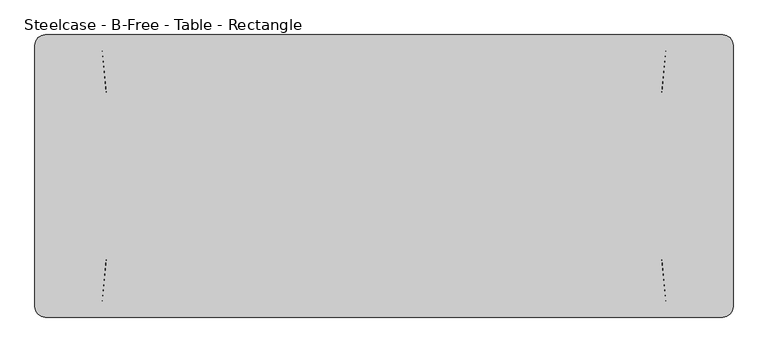
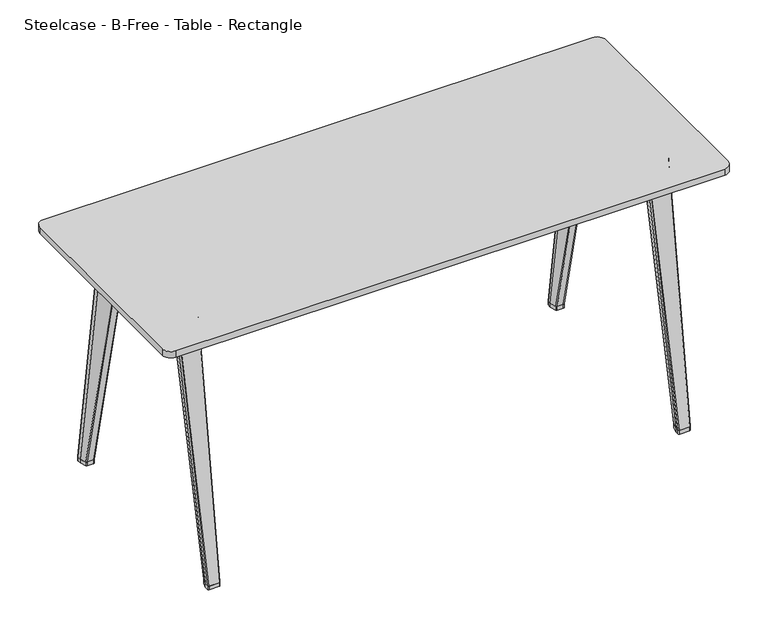
"""IFC4 building model written with IfcOpenShell, lengths in millimetres: furniture geometry, Steelcase - B-Free - Table - Rectangle."""

from ifc_helpers import new_model, si_unit, point, frame, frame_2d, origin, origin_with_axes, place, context, project, spatial, polyline, circle_curve, trimmed, segment, composite_curve, outline, extrude, source, transform, mapped, element, save
from ifc_brep_helpers import plane_surface, spline_surface, advanced_brep


def steelcase_b_free_table_rectangle_2f5d6858(model_context):
    return source(origin(), model_context, "Body", "SolidModel", [
        advanced_brep(
        [(848.550468, -256.8071273, 975.0100359), (925.9999954, -256.8071273, 975.0100359), (925.9999954, -236.2971273, 975.0100359), (899.1391539, -164.7409376, 975.0100359), (872.6106688, -164.7409376, 975.0100359), (848.550468, -236.2905089, 975.0100359), (867.5282424, -427.3252731, 15.0), (863.4278933, -423.224924, 15.0), (863.4278933, -408.6786642, 15.0), (870.3328304, -386.0936324, 15.0), (874.3297908, -383.1360373, 15.0), (897.6416198, -383.1360373, 15.0), (901.5771767, -385.9432427, 15.0), (909.4056101, -408.6786642, 15.0), (909.4056101, -423.9695545, 15.0), (906.0498914, -427.3252731, 15.0)],
        [
            (0, 1),
            (1, 2),
            (2, 3),
            (3, 4),
            (4, 5),
            (5, 0),
            (6, 7, circle_curve(frame((867.5282424, -423.224924, 15.0), z_axis=(0.0, 0.0, -1.0), x_axis=(-1.0, 0.0, 0.0)), 4.1003491)),
            (7, 8),
            (8, 9),
            (9, 10, circle_curve(frame((874.3297908, -387.3156258, 15.0), z_axis=(0.0, 0.0, -1.0), x_axis=(-1.0, 0.0, 0.0)), 4.1795886)),
            (10, 11),
            (11, 12, circle_curve(frame((897.6416198, -387.2983636, 15.0), z_axis=(0.0, 0.0, -1.0), x_axis=(-1.0, 0.0, 0.0)), 4.1623263)),
            (12, 13),
            (13, 14),
            (14, 15, circle_curve(frame((906.0498914, -423.9695545, 15.0), z_axis=(0.0, 0.0, -1.0), x_axis=(-1.0, 0.0, 0.0)), 3.3557187)),
            (15, 6),
            (15, 1),
            (0, 6),
            (14, 1),
            (13, 2),
            (12, 3),
            (11, 3),
            (10, 4),
            (9, 4),
            (8, 5),
            (7, 0),
        ],
        [
            plane_surface(frame((886.8084583, -219.2806277, 975.0100359), z_axis=(0.0, 0.0, 1.0), x_axis=(1.0, 0.0, 0.0))),
            plane_surface(frame((886.3126558, -405.7511303, 15.0), z_axis=(0.0, 0.0, -1.0), x_axis=(1.0, 0.0, 0.0))),
            plane_surface(frame((886.7890669, -427.3252731, 15.0), z_axis=(0.0, -0.9845890618720452, 0.17488390218063543), x_axis=(1.0, 0.0, 0.0))),
            spline_surface(2, 1, [[(906.0498914, -427.3252731, 15.0), (925.9999954, -256.8071273, 975.0100359)], [(909.4056099999999, -427.325273, 15.0), (925.9999954, -256.8071273, 975.0100359)], [(909.4056101, -423.9695545, 15.0), (925.9999954, -256.8071273, 975.0100359)]], [3, 3], [2, 2], [0.0, 1.0], [0.0, 1.0], weights=[[1.0, 1.0], [0.7071067917223973, 0.7071067917223973], [1.0, 1.0]]),
            plane_surface(frame((909.4056101, -416.3241093, 15.0), z_axis=(0.9998506368413226, 0.0, -0.017283055516941103), x_axis=(0.0, 1.0, 0.0))),
            spline_surface(1, 1, [[(909.4056101, -408.6786642, 15.0), (925.9999954, -236.2971273, 975.0100359)], [(901.5771767, -385.9432427, 15.0), (899.1391539, -164.7409376, 975.0100359)]], [2, 2], [2, 2], [0.0, 1.0], [0.0, 1.0]),
            spline_surface(2, 1, [[(901.5771767, -385.9432427, 15.0), (899.1391539, -164.7409376, 975.0100359)], [(900.610578398728, -383.1360372193377, 15.0), (899.1391539, -164.7409376, 975.0100359)], [(897.6416198, -383.1360373, 15.0), (899.1391539, -164.7409376, 975.0100359)]], [3, 3], [2, 2], [0.0, 1.0], [0.0, 1.0], weights=[[1.0, 1.0], [0.8141155110773269, 0.8141155110773269], [1.0, 1.0]]),
            plane_surface(frame((885.9857053, -383.1360373, 15.0), z_axis=(0.0, 0.9750865190442373, -0.22182488674220574), x_axis=(-1.0, 0.0, 0.0))),
            spline_surface(2, 1, [[(874.3297908, -383.1360373, 15.0), (872.6106688, -164.7409376, 975.0100359)], [(871.2370579804914, -383.13603732587006, 15.0), (872.6106688, -164.7409376, 975.0100359)], [(870.3328304, -386.0936324, 15.0), (872.6106688, -164.7409376, 975.0100359)]], [3, 3], [2, 2], [0.0, 1.0], [0.0, 1.0], weights=[[1.0, 1.0], [0.8038568620048957, 0.8038568620048957], [1.0, 1.0]]),
            spline_surface(1, 1, [[(870.3328304, -386.0936324, 15.0), (872.6106688, -164.7409376, 975.0100359)], [(863.4278933, -408.6786642, 15.0), (848.550468, -236.2905089, 975.0100359)]], [2, 2], [2, 2], [0.0, 1.0], [0.0, 1.0]),
            plane_surface(frame((863.4278933, -415.9517941, 15.0), z_axis=(-0.9998799407034225, 0.0, -0.015495295380224412), x_axis=(0.0, -1.0, 0.0))),
            spline_surface(2, 1, [[(863.4278933, -423.224924, 15.0), (848.550468, -256.8071273, 975.0100359)], [(863.4278933000002, -427.3252730999999, 15.0), (848.550468, -256.8071273, 975.0100359)], [(867.5282424, -427.3252731, 15.0), (848.550468, -256.8071273, 975.0100359)]], [3, 3], [2, 2], [0.0, 1.0], [0.0, 1.0], weights=[[1.0, 1.0], [0.7071067811865575, 0.7071067811865575], [1.0, 1.0]]),
        ],
        [
            (0, [[1, 2, 3, 4, 5, 6]]),
            (1, [[7, 8, 9, 10, 11, 12, 13, 14, 15, 16]]),
            (2, [[-16, 17, -1, 18]]),
            (3, [[-15, 19, -17]]),
            (4, [[-14, 20, -2, -19]]),
            (5, [[-13, 21, -3, -20]]),
            (6, [[-12, 22, -21]]),
            (7, [[-11, 23, -4, -22]]),
            (8, [[-10, 24, -23]]),
            (9, [[-9, 25, -5, -24]]),
            (10, [[-8, 26, -6, -25]]),
            (11, [[-7, -18, -26]]),
        ],
    ),
        extrude(outline(polyline([(895.0100359, 872.6106688), (895.0100359, 890.127493), (955.0186288, 913.2999954), (975.0100359, 913.2999954), (975.0100359, 848.550468), (955.0123135, 848.9662002), (895.0100359, 872.6106688)])), frame((0.0, -256.8071273, 0.0), z_axis=(0.0, 1.0, 0.0), x_axis=(0.0, 0.0, 1.0)), (0.0, 0.0, 1.0), 513.6142547),
        advanced_brep(
        [(848.550468, 256.8071273, 975.0100359), (848.550468, 236.2905089, 975.0100359), (872.6106688, 164.7409376, 975.0100359), (899.1391539, 164.7409376, 975.0100359), (925.9999954, 236.2971273, 975.0100359), (925.9999954, 256.8071273, 975.0100359), (867.5282424, 427.3252731, 15.0), (906.0498914, 427.3252731, 15.0), (909.4056101, 423.9695545, 15.0), (909.4056101, 408.6786642, 15.0), (901.5771767, 385.9432427, 15.0), (897.6416198, 383.1360373, 15.0), (874.3297908, 383.1360373, 15.0), (870.3328304, 386.0936324, 15.0), (863.4278933, 408.6786642, 15.0), (863.4278933, 423.224924, 15.0)],
        [
            (0, 1),
            (1, 2),
            (2, 3),
            (3, 4),
            (4, 5),
            (5, 0),
            (6, 7),
            (7, 8, circle_curve(frame((906.0498914, 423.9695545, 15.0), z_axis=(0.0, 0.0, -1.0), x_axis=(-1.0, 0.0, 0.0)), 3.3557187)),
            (8, 9),
            (9, 10),
            (10, 11, circle_curve(frame((897.6416198, 387.2983636, 15.0), z_axis=(0.0, 0.0, -1.0), x_axis=(-1.0, 0.0, 0.0)), 4.1623263)),
            (11, 12),
            (12, 13, circle_curve(frame((874.3297908, 387.3156258, 15.0), z_axis=(0.0, 0.0, -1.0), x_axis=(-1.0, 0.0, 0.0)), 4.1795886)),
            (13, 14),
            (14, 15),
            (15, 6, circle_curve(frame((867.5282424, 423.224924, 15.0), z_axis=(0.0, 0.0, -1.0), x_axis=(-1.0, 0.0, 0.0)), 4.1003491)),
            (6, 0),
            (5, 7),
            (5, 8),
            (4, 9),
            (3, 10),
            (3, 11),
            (2, 12),
            (2, 13),
            (1, 14),
            (0, 15),
        ],
        [
            plane_surface(frame((886.8084583, 219.2806277, 975.0100359), z_axis=(0.0, 0.0, 1.0), x_axis=(0.0, -1.0, 0.0))),
            plane_surface(frame((886.3126558, 405.7511303, 15.0), z_axis=(0.0, 0.0, -1.0), x_axis=(0.0, -1.0, 0.0))),
            plane_surface(frame((886.7890669, 427.3252731, 15.0), z_axis=(0.0, 0.984589061872048, 0.1748839021806194), x_axis=(-1.0, 0.0, 0.0))),
            spline_surface(2, 1, [[(909.4056101, 423.9695545, 15.0), (925.9999954, 256.8071273, 975.0100359)], [(909.4056102000001, 427.3252732, 15.0), (925.9999954, 256.8071273, 975.0100359)], [(906.0498914, 427.3252731, 15.0), (925.9999954, 256.8071273, 975.0100359)]], [3, 3], [2, 2], [0.0, 1.0], [0.0, 1.0], weights=[[1.0, 1.0], [0.7071067706506982, 0.7071067706506982], [1.0, 1.0]]),
            plane_surface(frame((909.4056101, 416.3241093, 15.0), z_axis=(0.999850636841323, 0.0, -0.017283055516919863), x_axis=(0.0, 1.0, 0.0))),
            spline_surface(1, 1, [[(901.5771767, 385.9432427, 15.0), (899.1391539, 164.7409376, 975.0100359)], [(909.4056101, 408.6786642, 15.0), (925.9999954, 236.2971273, 975.0100359)]], [2, 2], [2, 2], [0.0, 1.0], [0.0, 1.0]),
            spline_surface(2, 1, [[(897.6416198, 383.1360373, 15.0), (899.1391539, 164.7409376, 975.0100359)], [(900.6105783063458, 383.1360373488526, 15.0), (899.1391539, 164.7409376, 975.0100359)], [(901.5771767, 385.9432427, 15.0), (899.1391539, 164.7409376, 975.0100359)]], [3, 3], [2, 2], [0.0, 1.0], [0.0, 1.0], weights=[[1.0, 1.0], [0.8141155237433267, 0.8141155237433267], [1.0, 1.0]]),
            plane_surface(frame((885.9857053, 383.1360373, 15.0), z_axis=(0.0, -0.9750865190442408, -0.22182488674219003), x_axis=(1.0, 0.0, 0.0))),
            spline_surface(2, 1, [[(870.3328304, 386.0936324, 15.0), (872.6106688, 164.7409376, 975.0100359)], [(871.237057931012, 383.13603725900253, 15.0), (872.6106688, 164.7409376, 975.0100359)], [(874.3297908, 383.1360373, 15.0), (872.6106688, 164.7409376, 975.0100359)]], [3, 3], [2, 2], [0.0, 1.0], [0.0, 1.0], weights=[[1.0, 1.0], [0.8038568555746078, 0.8038568555746078], [1.0, 1.0]]),
            spline_surface(1, 1, [[(863.4278933, 408.6786642, 15.0), (848.550468, 236.2905089, 975.0100359)], [(870.3328304, 386.0936324, 15.0), (872.6106688, 164.7409376, 975.0100359)]], [2, 2], [2, 2], [0.0, 1.0], [0.0, 1.0]),
            plane_surface(frame((863.4278933, 415.9517941, 15.0), z_axis=(-0.9998799407034225, 0.0, -0.015495295380227193), x_axis=(0.0, -1.0, 0.0))),
            spline_surface(2, 1, [[(867.5282424, 427.3252731, 15.0), (848.550468, 256.8071273, 975.0100359)], [(863.4278932999999, 427.3252731000001, 15.0), (848.550468, 256.8071273, 975.0100359)], [(863.4278933, 423.224924, 15.0), (848.550468, 256.8071273, 975.0100359)]], [3, 3], [2, 2], [0.0, 1.0], [0.0, 1.0], weights=[[1.0, 1.0], [0.7071067811865378, 0.7071067811865378], [1.0, 1.0]]),
        ],
        [
            (0, [[1, 2, 3, 4, 5, 6]]),
            (1, [[7, 8, 9, 10, 11, 12, 13, 14, 15, 16]]),
            (2, [[-7, 17, -6, 18]]),
            (3, [[-8, -18, 19]]),
            (4, [[-9, -19, -5, 20]]),
            (5, [[-10, -20, -4, 21]]),
            (6, [[-11, -21, 22]]),
            (7, [[-12, -22, -3, 23]]),
            (8, [[-13, -23, 24]]),
            (9, [[-14, -24, -2, 25]]),
            (10, [[-15, -25, -1, 26]]),
            (11, [[-16, -26, -17]]),
        ],
    ),
        extrude(outline(composite_curve([segment(polyline([(870.3328304, 386.0936324), (863.4278933, 408.6786642), (863.4278933, 423.224924)]), True, "CONTINUOUS"), segment(trimmed(circle_curve(frame_2d((867.5282424, 423.224924)), 4.1003491), [point((863.4278933, 423.224924))], [point((867.5282424, 427.3252731))], False, "CARTESIAN"), True, "CONTINUOUS"), segment(polyline([(867.5282424, 427.3252731), (906.0498914, 427.3252731)]), True, "CONTINUOUS"), segment(trimmed(circle_curve(frame_2d((906.0498914, 423.9695545)), 3.3557187), [point((906.0498914, 427.3252731))], [point((909.4056101, 423.9695545))], False, "CARTESIAN"), True, "CONTINUOUS"), segment(polyline([(909.4056101, 423.9695545), (909.4056101, 408.6786642), (901.5771767, 385.9432427)]), True, "CONTINUOUS"), segment(trimmed(circle_curve(frame_2d((897.6416198, 387.2983636)), 4.1623263), [point((901.5771767, 385.9432427))], [point((897.6416198, 383.1360373))], False, "CARTESIAN"), True, "CONTINUOUS"), segment(polyline([(897.6416198, 383.1360373), (874.3297908, 383.1360373)]), True, "CONTINUOUS"), segment(trimmed(circle_curve(frame_2d((874.3297908, 387.3156258)), 4.1795886), [point((874.3297908, 383.1360373))], [point((870.3328304, 386.0936324))], False, "CARTESIAN"), True, "CONTINUOUS")], self_intersect=False)), origin_with_axes(), (0.0, 0.0, 1.0), 15.0),
        extrude(outline(composite_curve([segment(trimmed(circle_curve(frame_2d((874.3297908, -387.3156258)), 4.1795886), [point((870.3328304, -386.0936324))], [point((874.3297908, -383.1360373))], False, "CARTESIAN"), True, "CONTINUOUS"), segment(polyline([(874.3297908, -383.1360373), (897.6416198, -383.1360373)]), True, "CONTINUOUS"), segment(trimmed(circle_curve(frame_2d((897.6416198, -387.2983636)), 4.1623263), [point((897.6416198, -383.1360373))], [point((901.5771767, -385.9432427))], False, "CARTESIAN"), True, "CONTINUOUS"), segment(polyline([(901.5771767, -385.9432427), (909.4056101, -408.6786642), (909.4056101, -423.9695545)]), True, "CONTINUOUS"), segment(trimmed(circle_curve(frame_2d((906.0498914, -423.9695545)), 3.3557187), [point((909.4056101, -423.9695545))], [point((906.0498914, -427.3252731))], False, "CARTESIAN"), True, "CONTINUOUS"), segment(polyline([(906.0498914, -427.3252731), (867.5282424, -427.3252731)]), True, "CONTINUOUS"), segment(trimmed(circle_curve(frame_2d((867.5282424, -423.224924)), 4.1003491), [point((867.5282424, -427.3252731))], [point((863.4278933, -423.224924))], False, "CARTESIAN"), True, "CONTINUOUS"), segment(polyline([(863.4278933, -423.224924), (863.4278933, -408.6786642), (870.3328304, -386.0936324)]), True, "CONTINUOUS")], self_intersect=False)), origin_with_axes(), (0.0, 0.0, 1.0), 15.0),
        advanced_brep(
        [(-848.550468, -256.8071273, 975.0100359), (-848.550468, -236.2905089, 975.0100359), (-872.6106688, -164.7409376, 975.0100359), (-899.1391539, -164.7409376, 975.0100359), (-925.9999954, -236.2971273, 975.0100359), (-925.9999954, -256.8071273, 975.0100359), (-867.5282424, -427.3252731, 15.0), (-906.0498914, -427.3252731, 15.0), (-909.4056101, -423.9695545, 15.0), (-909.4056101, -408.6786642, 15.0), (-901.5771767, -385.9432427, 15.0), (-897.6416198, -383.1360373, 15.0), (-874.3297908, -383.1360373, 15.0), (-870.3328304, -386.0936324, 15.0), (-863.4278933, -408.6786642, 15.0), (-863.4278933, -423.224924, 15.0)],
        [
            (0, 1),
            (1, 2),
            (2, 3),
            (3, 4),
            (4, 5),
            (5, 0),
            (6, 7),
            (7, 8, circle_curve(frame((-906.0498914, -423.9695545, 15.0), z_axis=(0.0, 0.0, -1.0), x_axis=(1.0, 0.0, 0.0)), 3.3557187)),
            (8, 9),
            (9, 10),
            (10, 11, circle_curve(frame((-897.6416198, -387.2983636, 15.0), z_axis=(0.0, 0.0, -1.0), x_axis=(1.0, 0.0, 0.0)), 4.1623263)),
            (11, 12),
            (12, 13, circle_curve(frame((-874.3297908, -387.3156258, 15.0), z_axis=(0.0, 0.0, -1.0), x_axis=(1.0, 0.0, 0.0)), 4.1795886)),
            (13, 14),
            (14, 15),
            (15, 6, circle_curve(frame((-867.5282424, -423.224924, 15.0), z_axis=(0.0, 0.0, -1.0), x_axis=(1.0, 0.0, 0.0)), 4.1003491)),
            (6, 0),
            (5, 7),
            (5, 8),
            (4, 9),
            (3, 10),
            (3, 11),
            (2, 12),
            (2, 13),
            (1, 14),
            (0, 15),
        ],
        [
            plane_surface(frame((-886.8084583, -219.2806277, 975.0100359), z_axis=(0.0, 0.0, 1.0), x_axis=(0.0, 1.0, 0.0))),
            plane_surface(frame((-886.3126558, -405.7511303, 15.0), z_axis=(0.0, 0.0, -1.0), x_axis=(0.0, 1.0, 0.0))),
            plane_surface(frame((-886.7890669, -427.3252731, 15.0), z_axis=(0.0, -0.9845890618720495, 0.1748839021806107), x_axis=(1.0, 0.0, 0.0))),
            spline_surface(2, 1, [[(-909.4056101, -423.9695545, 15.0), (-925.9999954, -256.8071273, 975.0100359)], [(-909.4056102000001, -427.3252732, 15.0), (-925.9999954, -256.8071273, 975.0100359)], [(-906.0498914, -427.3252731, 15.0), (-925.9999954, -256.8071273, 975.0100359)]], [3, 3], [2, 2], [0.0, 1.0], [0.0, 1.0], weights=[[1.0, 1.0], [0.7071067706506982, 0.7071067706506982], [1.0, 1.0]]),
            plane_surface(frame((-909.4056101, -416.3241093, 15.0), z_axis=(-0.999850636841323, 0.0, -0.017283055516920248), x_axis=(0.0, -1.0, 0.0))),
            spline_surface(1, 1, [[(-901.5771767, -385.9432427, 15.0), (-899.1391539, -164.7409376, 975.0100359)], [(-909.4056101, -408.6786642, 15.0), (-925.9999954, -236.2971273, 975.0100359)]], [2, 2], [2, 2], [0.0, 1.0], [0.0, 1.0]),
            spline_surface(2, 1, [[(-897.6416198, -383.1360373, 15.0), (-899.1391539, -164.7409376, 975.0100359)], [(-900.6105783063458, -383.1360373488526, 15.0), (-899.1391539, -164.7409376, 975.0100359)], [(-901.5771767, -385.9432427, 15.0), (-899.1391539, -164.7409376, 975.0100359)]], [3, 3], [2, 2], [0.0, 1.0], [0.0, 1.0], weights=[[1.0, 1.0], [0.8141155237433267, 0.8141155237433267], [1.0, 1.0]]),
            plane_surface(frame((-885.9857053, -383.1360373, 15.0), z_axis=(0.0, 0.9750865190442438, -0.22182488674217712), x_axis=(-1.0, 0.0, 0.0))),
            spline_surface(2, 1, [[(-870.3328304, -386.0936324, 15.0), (-872.6106688, -164.7409376, 975.0100359)], [(-871.237057931012, -383.13603725900253, 15.0), (-872.6106688, -164.7409376, 975.0100359)], [(-874.3297908, -383.1360373, 15.0), (-872.6106688, -164.7409376, 975.0100359)]], [3, 3], [2, 2], [0.0, 1.0], [0.0, 1.0], weights=[[1.0, 1.0], [0.8038568555746078, 0.8038568555746078], [1.0, 1.0]]),
            spline_surface(1, 1, [[(-863.4278933, -408.6786642, 15.0), (-848.550468, -236.2905089, 975.0100359)], [(-870.3328304, -386.0936324, 15.0), (-872.6106688, -164.7409376, 975.0100359)]], [2, 2], [2, 2], [0.0, 1.0], [0.0, 1.0]),
            plane_surface(frame((-863.4278933, -415.9517941, 15.0), z_axis=(0.9998799407034225, 0.0, -0.015495295380223812), x_axis=(0.0, 1.0, 0.0))),
            spline_surface(2, 1, [[(-867.5282424, -427.3252731, 15.0), (-848.550468, -256.8071273, 975.0100359)], [(-863.4278932999999, -427.3252731000001, 15.0), (-848.550468, -256.8071273, 975.0100359)], [(-863.4278933, -423.224924, 15.0), (-848.550468, -256.8071273, 975.0100359)]], [3, 3], [2, 2], [0.0, 1.0], [0.0, 1.0], weights=[[1.0, 1.0], [0.7071067811865378, 0.7071067811865378], [1.0, 1.0]]),
        ],
        [
            (0, [[1, 2, 3, 4, 5, 6]]),
            (1, [[7, 8, 9, 10, 11, 12, 13, 14, 15, 16]]),
            (2, [[-7, 17, -6, 18]]),
            (3, [[-8, -18, 19]]),
            (4, [[-9, -19, -5, 20]]),
            (5, [[-10, -20, -4, 21]]),
            (6, [[-11, -21, 22]]),
            (7, [[-12, -22, -3, 23]]),
            (8, [[-13, -23, 24]]),
            (9, [[-14, -24, -2, 25]]),
            (10, [[-15, -25, -1, 26]]),
            (11, [[-16, -26, -17]]),
        ],
    ),
        extrude(outline(polyline([(895.14375, -872.6106688), (955.1460276, -848.9662002), (975.14375, -848.550468), (975.14375, -913.2999954), (955.1523429, -913.2999954), (895.14375, -890.127493), (895.14375, -872.6106688)])), frame((0.0, -256.8071273, 0.0), z_axis=(0.0, 1.0, 0.0), x_axis=(0.0, 0.0, 1.0)), (0.0, 0.0, 1.0), 513.6142547),
        advanced_brep(
        [(-848.550468, 256.8071273, 975.0100359), (-925.9999954, 256.8071273, 975.0100359), (-925.9999954, 236.2971273, 975.0100359), (-899.1391539, 164.7409376, 975.0100359), (-872.6106688, 164.7409376, 975.0100359), (-848.550468, 236.2905089, 975.0100359), (-867.5282424, 427.3252731, 15.0), (-863.4278933, 423.224924, 15.0), (-863.4278933, 408.6786642, 15.0), (-870.3328304, 386.0936324, 15.0), (-874.3297908, 383.1360373, 15.0), (-897.6416198, 383.1360373, 15.0), (-901.5771767, 385.9432427, 15.0), (-909.4056101, 408.6786642, 15.0), (-909.4056101, 423.9695545, 15.0), (-906.0498914, 427.3252731, 15.0)],
        [
            (0, 1),
            (1, 2),
            (2, 3),
            (3, 4),
            (4, 5),
            (5, 0),
            (6, 7, circle_curve(frame((-867.5282424, 423.224924, 15.0), z_axis=(0.0, 0.0, -1.0), x_axis=(1.0, 0.0, 0.0)), 4.1003491)),
            (7, 8),
            (8, 9),
            (9, 10, circle_curve(frame((-874.3297908, 387.3156258, 15.0), z_axis=(0.0, 0.0, -1.0), x_axis=(1.0, 0.0, 0.0)), 4.1795886)),
            (10, 11),
            (11, 12, circle_curve(frame((-897.6416198, 387.2983636, 15.0), z_axis=(0.0, 0.0, -1.0), x_axis=(1.0, 0.0, 0.0)), 4.1623263)),
            (12, 13),
            (13, 14),
            (14, 15, circle_curve(frame((-906.0498914, 423.9695545, 15.0), z_axis=(0.0, 0.0, -1.0), x_axis=(1.0, 0.0, 0.0)), 3.3557187)),
            (15, 6),
            (15, 1),
            (0, 6),
            (14, 1),
            (13, 2),
            (12, 3),
            (11, 3),
            (10, 4),
            (9, 4),
            (8, 5),
            (7, 0),
        ],
        [
            plane_surface(frame((-886.8084583, 219.2806277, 975.0100359), z_axis=(0.0, 0.0, 1.0), x_axis=(-1.0, 0.0, 0.0))),
            plane_surface(frame((-886.3126558, 405.7511303, 15.0), z_axis=(0.0, 0.0, -1.0), x_axis=(-1.0, 0.0, 0.0))),
            plane_surface(frame((-886.7890669, 427.3252731, 15.0), z_axis=(0.0, 0.9845890618720495, 0.17488390218061084), x_axis=(-1.0, 0.0, 0.0))),
            spline_surface(2, 1, [[(-906.0498914, 427.3252731, 15.0), (-925.9999954, 256.8071273, 975.0100359)], [(-909.4056099999999, 427.325273, 15.0), (-925.9999954, 256.8071273, 975.0100359)], [(-909.4056101, 423.9695545, 15.0), (-925.9999954, 256.8071273, 975.0100359)]], [3, 3], [2, 2], [0.0, 1.0], [0.0, 1.0], weights=[[1.0, 1.0], [0.7071067917223973, 0.7071067917223973], [1.0, 1.0]]),
            plane_surface(frame((-909.4056101, 416.3241093, 15.0), z_axis=(-0.9998506368413225, 0.0, -0.01728305551695234), x_axis=(0.0, -1.0, 0.0))),
            spline_surface(1, 1, [[(-909.4056101, 408.6786642, 15.0), (-925.9999954, 236.2971273, 975.0100359)], [(-901.5771767, 385.9432427, 15.0), (-899.1391539, 164.7409376, 975.0100359)]], [2, 2], [2, 2], [0.0, 1.0], [0.0, 1.0]),
            spline_surface(2, 1, [[(-901.5771767, 385.9432427, 15.0), (-899.1391539, 164.7409376, 975.0100359)], [(-900.610578398728, 383.1360372193377, 15.0), (-899.1391539, 164.7409376, 975.0100359)], [(-897.6416198, 383.1360373, 15.0), (-899.1391539, 164.7409376, 975.0100359)]], [3, 3], [2, 2], [0.0, 1.0], [0.0, 1.0], weights=[[1.0, 1.0], [0.8141155110773269, 0.8141155110773269], [1.0, 1.0]]),
            plane_surface(frame((-885.9857053, 383.1360373, 15.0), z_axis=(0.0, -0.9750865190442435, -0.22182488674217823), x_axis=(1.0, 0.0, 0.0))),
            spline_surface(2, 1, [[(-874.3297908, 383.1360373, 15.0), (-872.6106688, 164.7409376, 975.0100359)], [(-871.2370579804914, 383.13603732587006, 15.0), (-872.6106688, 164.7409376, 975.0100359)], [(-870.3328304, 386.0936324, 15.0), (-872.6106688, 164.7409376, 975.0100359)]], [3, 3], [2, 2], [0.0, 1.0], [0.0, 1.0], weights=[[1.0, 1.0], [0.8038568620048957, 0.8038568620048957], [1.0, 1.0]]),
            spline_surface(1, 1, [[(-870.3328304, 386.0936324, 15.0), (-872.6106688, 164.7409376, 975.0100359)], [(-863.4278933, 408.6786642, 15.0), (-848.550468, 236.2905089, 975.0100359)]], [2, 2], [2, 2], [0.0, 1.0], [0.0, 1.0]),
            plane_surface(frame((-863.4278933, 415.9517941, 15.0), z_axis=(0.9998799407034223, 0.0, -0.015495295380234277), x_axis=(0.0, 1.0, 0.0))),
            spline_surface(2, 1, [[(-863.4278933, 423.224924, 15.0), (-848.550468, 256.8071273, 975.0100359)], [(-863.4278933000002, 427.3252730999999, 15.0), (-848.550468, 256.8071273, 975.0100359)], [(-867.5282424, 427.3252731, 15.0), (-848.550468, 256.8071273, 975.0100359)]], [3, 3], [2, 2], [0.0, 1.0], [0.0, 1.0], weights=[[1.0, 1.0], [0.7071067811865575, 0.7071067811865575], [1.0, 1.0]]),
        ],
        [
            (0, [[1, 2, 3, 4, 5, 6]]),
            (1, [[7, 8, 9, 10, 11, 12, 13, 14, 15, 16]]),
            (2, [[-16, 17, -1, 18]]),
            (3, [[-15, 19, -17]]),
            (4, [[-14, 20, -2, -19]]),
            (5, [[-13, 21, -3, -20]]),
            (6, [[-12, 22, -21]]),
            (7, [[-11, 23, -4, -22]]),
            (8, [[-10, 24, -23]]),
            (9, [[-9, 25, -5, -24]]),
            (10, [[-8, 26, -6, -25]]),
            (11, [[-7, -18, -26]]),
        ],
    ),
        extrude(outline(composite_curve([segment(trimmed(circle_curve(frame_2d((-874.3297908, 387.3156258)), 4.1795886), [point((-870.3328304, 386.0936324))], [point((-874.3297908, 383.1360373))], False, "CARTESIAN"), True, "CONTINUOUS"), segment(polyline([(-874.3297908, 383.1360373), (-897.6416198, 383.1360373)]), True, "CONTINUOUS"), segment(trimmed(circle_curve(frame_2d((-897.6416198, 387.2983636)), 4.1623263), [point((-897.6416198, 383.1360373))], [point((-901.5771767, 385.9432427))], False, "CARTESIAN"), True, "CONTINUOUS"), segment(polyline([(-901.5771767, 385.9432427), (-909.4056101, 408.6786642), (-909.4056101, 423.9695545)]), True, "CONTINUOUS"), segment(trimmed(circle_curve(frame_2d((-906.0498914, 423.9695545)), 3.3557187), [point((-909.4056101, 423.9695545))], [point((-906.0498914, 427.3252731))], False, "CARTESIAN"), True, "CONTINUOUS"), segment(polyline([(-906.0498914, 427.3252731), (-867.5282424, 427.3252731)]), True, "CONTINUOUS"), segment(trimmed(circle_curve(frame_2d((-867.5282424, 423.224924)), 4.1003491), [point((-867.5282424, 427.3252731))], [point((-863.4278933, 423.224924))], False, "CARTESIAN"), True, "CONTINUOUS"), segment(polyline([(-863.4278933, 423.224924), (-863.4278933, 408.6786642), (-870.3328304, 386.0936324)]), True, "CONTINUOUS")], self_intersect=False)), origin_with_axes(), (0.0, 0.0, 1.0), 15.0),
        extrude(outline(composite_curve([segment(polyline([(-870.3328304, -386.0936324), (-863.4278933, -408.6786642), (-863.4278933, -423.224924)]), True, "CONTINUOUS"), segment(trimmed(circle_curve(frame_2d((-867.5282424, -423.224924)), 4.1003491), [point((-863.4278933, -423.224924))], [point((-867.5282424, -427.3252731))], False, "CARTESIAN"), True, "CONTINUOUS"), segment(polyline([(-867.5282424, -427.3252731), (-906.0498914, -427.3252731)]), True, "CONTINUOUS"), segment(trimmed(circle_curve(frame_2d((-906.0498914, -423.9695545)), 3.3557187), [point((-906.0498914, -427.3252731))], [point((-909.4056101, -423.9695545))], False, "CARTESIAN"), True, "CONTINUOUS"), segment(polyline([(-909.4056101, -423.9695545), (-909.4056101, -408.6786642), (-901.5771767, -385.9432427)]), True, "CONTINUOUS"), segment(trimmed(circle_curve(frame_2d((-897.6416198, -387.2983636)), 4.1623263), [point((-901.5771767, -385.9432427))], [point((-897.6416198, -383.1360373))], False, "CARTESIAN"), True, "CONTINUOUS"), segment(polyline([(-897.6416198, -383.1360373), (-874.3297908, -383.1360373)]), True, "CONTINUOUS"), segment(trimmed(circle_curve(frame_2d((-874.3297908, -387.3156258)), 4.1795886), [point((-874.3297908, -383.1360373))], [point((-870.3328304, -386.0936324))], False, "CARTESIAN"), True, "CONTINUOUS")], self_intersect=False)), origin_with_axes(), (0.0, 0.0, 1.0), 15.0),
        extrude(outline(composite_curve([segment(polyline([(241.7999977, 975.0100359), (241.7999977, 908.0)]), True, "CONTINUOUS"), segment(trimmed(circle_curve(frame_2d((231.7999977, 908.0)), 10.0), [point((241.7999977, 908.0))], [point((231.7999977, 898.0))], False, "CARTESIAN"), True, "CONTINUOUS"), segment(polyline([(231.7999977, 898.0), (-231.7999977, 898.0)]), True, "CONTINUOUS"), segment(trimmed(circle_curve(frame_2d((-231.7999977, 908.0)), 10.0), [point((-231.7999977, 898.0))], [point((-241.7999977, 908.0))], False, "CARTESIAN"), True, "CONTINUOUS"), segment(polyline([(-241.7999977, 908.0), (-241.7999977, 975.0100359), (241.7999977, 975.0100359)]), True, "CONTINUOUS")], self_intersect=False)), frame((845.7999954, 0.0, 0.0), z_axis=(1.0, 0.0, 0.0), x_axis=(0.0, 1.0, 0.0)), (0.0, 0.0, 1.0), 9.906),
        extrude(outline(composite_curve([segment(polyline([(241.7999977, 975.0100359), (241.7999977, 908.0)]), True, "CONTINUOUS"), segment(trimmed(circle_curve(frame_2d((231.7999977, 908.0)), 10.0), [point((241.7999977, 908.0))], [point((231.7999977, 898.0))], False, "CARTESIAN"), True, "CONTINUOUS"), segment(polyline([(231.7999977, 898.0), (-231.7999977, 898.0)]), True, "CONTINUOUS"), segment(trimmed(circle_curve(frame_2d((-231.7999977, 908.0)), 10.0), [point((-231.7999977, 898.0))], [point((-241.7999977, 908.0))], False, "CARTESIAN"), True, "CONTINUOUS"), segment(polyline([(-241.7999977, 908.0), (-241.7999977, 975.0100359), (241.7999977, 975.0100359)]), True, "CONTINUOUS")], self_intersect=False)), frame((-855.7999954, 0.0, 0.0), z_axis=(1.0, 0.0, 0.0), x_axis=(0.0, 1.0, 0.0)), (0.0, 0.0, 1.0), 10.0),
        extrude(outline(composite_curve([segment(polyline([(239.8043259, 975.0100359), (239.8043259, 973.8100359), (224.8043259, 973.8100359)]), True, "CONTINUOUS"), segment(trimmed(circle_curve(frame_2d((224.8043259, 972.8100359)), 1.0), [point((224.8043259, 973.8100359))], [point((223.9851739, 973.3836123))], True, "CARTESIAN"), True, "CONTINUOUS"), segment(polyline([(223.9851739, 973.3836123), (173.3478801, 901.0660589)]), True, "CONTINUOUS"), segment(trimmed(circle_curve(frame_2d((171.3, 902.5)), 2.5), [point((173.3478801, 901.0660589))], [point((171.3, 900.0))], False, "CARTESIAN"), True, "CONTINUOUS"), segment(polyline([(171.3, 900.0), (-171.3, 900.0)]), True, "CONTINUOUS"), segment(trimmed(circle_curve(frame_2d((-171.3, 902.5)), 2.5), [point((-171.3, 900.0))], [point((-173.3478801, 901.0660589))], False, "CARTESIAN"), True, "CONTINUOUS"), segment(polyline([(-173.3478801, 901.0660589), (-223.9851739, 973.3836123)]), True, "CONTINUOUS"), segment(trimmed(circle_curve(frame_2d((-224.8043259, 972.8100359)), 1.0), [point((-223.9851739, 973.3836123))], [point((-224.8043259, 973.8100359))], True, "CARTESIAN"), True, "CONTINUOUS"), segment(polyline([(-224.8043259, 973.8100359), (-239.8043259, 973.8100359), (-239.8043259, 975.0100359), (-224.8043259, 975.0100359)]), True, "CONTINUOUS"), segment(trimmed(circle_curve(frame_2d((-224.8043259, 972.8100359)), 2.2), [point((-224.8043259, 975.0100359))], [point((-223.0021914, 974.0719041))], False, "CARTESIAN"), True, "CONTINUOUS"), segment(polyline([(-223.0021914, 974.0719041), (-172.3648977, 901.7543506)]), True, "CONTINUOUS"), segment(trimmed(circle_curve(frame_2d((-171.3, 902.5)), 1.3), [point((-172.3648977, 901.7543506))], [point((-171.3, 901.2))], True, "CARTESIAN"), True, "CONTINUOUS"), segment(polyline([(-171.3, 901.2), (171.3, 901.2)]), True, "CONTINUOUS"), segment(trimmed(circle_curve(frame_2d((171.3, 902.5)), 1.3), [point((171.3, 901.2))], [point((172.3648977, 901.7543506))], True, "CARTESIAN"), True, "CONTINUOUS"), segment(polyline([(172.3648977, 901.7543506), (223.0021914, 974.0719041)]), True, "CONTINUOUS"), segment(trimmed(circle_curve(frame_2d((224.8043259, 972.8100359)), 2.2), [point((223.0021914, 974.0719041))], [point((224.8043259, 975.0100359))], False, "CARTESIAN"), True, "CONTINUOUS"), segment(polyline([(224.8043259, 975.0100359), (239.8043259, 975.0100359)]), True, "CONTINUOUS")], self_intersect=False)), frame((-845.7999954, 0.0, 0.0), z_axis=(1.0, 0.0, 0.0), x_axis=(0.0, 1.0, 0.0)), (0.0, 0.0, 1.0), 1691.5999908),
        extrude(outline(composite_curve([segment(trimmed(circle_curve(frame_2d((1034.799991, 399.799991)), 32.000009), [point((1034.799991, 431.8))], [point((1066.8, 399.799991))], False, "CARTESIAN"), True, "CONTINUOUS"), segment(polyline([(1066.8, 399.799991), (1066.8, -399.799991)]), True, "CONTINUOUS"), segment(trimmed(circle_curve(frame_2d((1034.799991, -399.799991)), 32.000009), [point((1066.8, -399.799991))], [point((1034.799991, -431.8))], False, "CARTESIAN"), True, "CONTINUOUS"), segment(polyline([(1034.799991, -431.8), (-1034.799991, -431.8)]), True, "CONTINUOUS"), segment(trimmed(circle_curve(frame_2d((-1034.799991, -399.799991)), 32.000009), [point((-1034.799991, -431.8))], [point((-1066.8, -399.799991))], False, "CARTESIAN"), True, "CONTINUOUS"), segment(polyline([(-1066.8, -399.799991), (-1066.8, 399.799991)]), True, "CONTINUOUS"), segment(trimmed(circle_curve(frame_2d((-1034.799991, 399.799991)), 32.000009), [point((-1066.8, 399.799991))], [point((-1034.799991, 431.8))], False, "CARTESIAN"), True, "CONTINUOUS"), segment(polyline([(-1034.799991, 431.8), (1034.799991, 431.8)]), True, "CONTINUOUS")], self_intersect=False)), frame((0.0, 0.0, 975.0100359), z_axis=(0.0, 0.0, 1.0), x_axis=(1.0, 0.0, 0.0)), (0.0, 0.0, 1.0), 25.0),
    ])


if __name__ == "__main__":
    model = new_model("IFC4")
    model_context = context("Model", 3, world=origin())
    ifc_project = project(units=[si_unit("LENGTHUNIT", "METRE", prefix="MILLI")], contexts=[model_context])
    site = spatial("IfcSite", under=ifc_project)
    building = spatial("IfcBuilding", under=site)
    placement = place(None, origin())
    steelcase_b_free_table_rectangle_shape = steelcase_b_free_table_rectangle_2f5d6858(model_context)
    element("IfcFurniture", 1, ObjectType="Steelcase - B-Free - Table - Rectangle", at=placement, inside=building, context=model_context, shape_type="MappedRepresentation", body=[
        mapped(steelcase_b_free_table_rectangle_shape, transform((0.0, 0.0, 0.0), x_axis=(1.0, 0.0, 0.0), y_axis=(0.0, 1.0, 0.0), z_axis=(0.0, 0.0, 1.0))),
    ])
    save(model, "model.ifc")
